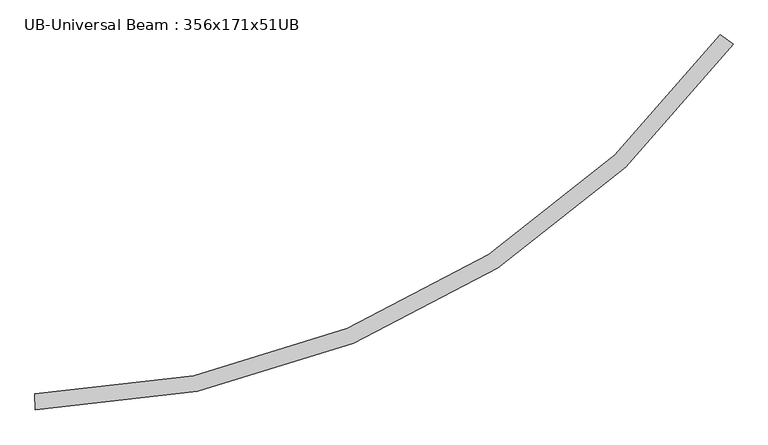
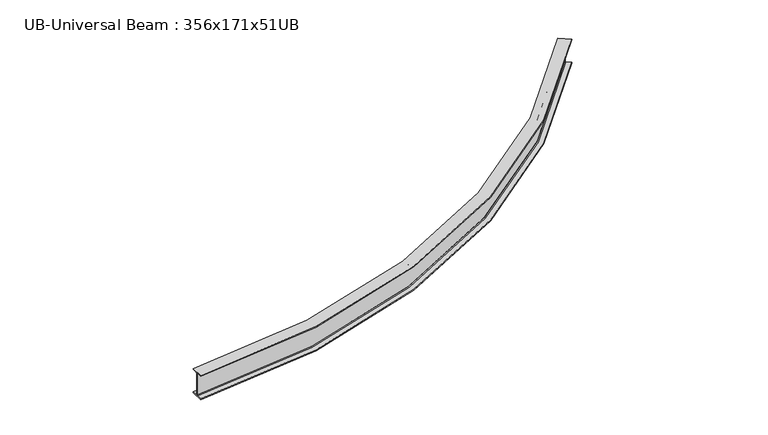
"""IFC4 building model written with IfcOpenShell, lengths in millimetres: beam geometry, UB-Universal Beam : 356x171x51UB."""

import ifcopenshell
import ifcopenshell.guid

model = None  # the IFC model being written
_history = None  # IfcOwnerHistory: only IFC2X3 demands one
_inside = {}  # id of a spatial element -> (the spatial element, [elements in it])
_under = {}  # id of a project, library or spatial element -> (it, [spatial elements below it])
_declared = {}  # id of a project -> (the project, [libraries it declares])
_typed = {}  # id of a type object -> (the type object, [elements of that type])
_made_of = {}  # id of a material, layer set ... -> (it, [elements and type objects made of it])


def new_model(schema):
    """Start an empty IFC model of exactly this schema.

    Asked for "IFC4X3", IfcOpenShell would pick the latest addendum, in which some entities
    have other attributes; the version numbers below select the first issue.
    IFC2X3 requires an IfcOwnerHistory on every rooted entity: one is made here for all.
    """
    global model, _history
    if schema == "IFC4X3":
        model = ifcopenshell.file(schema_version=(4, 3, 0, 0))
    else:
        model = ifcopenshell.file(schema=schema)
    _inside.clear()
    _under.clear()
    _declared.clear()
    _typed.clear()
    _made_of.clear()
    _history = None
    if model.schema == "IFC2X3":
        org = make("IfcOrganization", Name="unknown")
        user = make(
            "IfcPersonAndOrganization",
            ThePerson=make("IfcPerson", FamilyName="unknown"),
            TheOrganization=org,
        )
        app = make(
            "IfcApplication",
            ApplicationDeveloper=org,
            Version="unknown",
            ApplicationFullName="unknown",
            ApplicationIdentifier="unknown",
        )
        _history = make(
            "IfcOwnerHistory",
            OwningUser=user,
            OwningApplication=app,
            ChangeAction="ADDED",
            CreationDate=0,
        )
    return model


def make(cls, **values):
    """One entity of the class cls with the attributes given. An attribute that is None is left unset."""
    return model.create_entity(
        cls, **{name: value for name, value in values.items() if value is not None}
    )


def rooted(cls, **values):
    """An entity with a GlobalId (a new one), such as an element, a storey or a relation."""
    return make(cls, GlobalId=ifcopenshell.guid.new(), OwnerHistory=_history, **values)


def si_unit(unit_type, name, prefix=None):
    """IfcSIUnit, for example si_unit("LENGTHUNIT", "METRE", prefix="MILLI")."""
    return make("IfcSIUnit", UnitType=unit_type, Prefix=prefix, Name=name)


def assignment(units):
    """IfcUnitAssignment: the units of a project."""
    return None if units is None else make("IfcUnitAssignment", Units=units)


def point(xyz):
    """IfcCartesianPoint."""
    return None if xyz is None else make("IfcCartesianPoint", Coordinates=xyz)


def direction(xyz):
    """IfcDirection."""
    return None if xyz is None else make("IfcDirection", DirectionRatios=xyz)


def frame(location, z_axis=None, x_axis=None):
    """IfcAxis2Placement3D, a coordinate frame: its origin and axes. An axis left out is left unset."""
    return make(
        "IfcAxis2Placement3D",
        Location=point(location),
        Axis=direction(z_axis),
        RefDirection=direction(x_axis),
    )


def origin():
    """The frame at (0, 0, 0) with its axes left unset."""
    return frame((0.0, 0.0, 0.0))


def place(relative_to, where):
    """IfcLocalPlacement: puts the frame where relative to a parent placement (None: the world)."""
    return make(
        "IfcLocalPlacement", PlacementRelTo=relative_to, RelativePlacement=where
    )


def context(
    kind, dimensions, precision=None, world=None, true_north=None, identifier=None
):
    """IfcGeometricRepresentationContext, for example the 3D "Model" context."""
    return make(
        "IfcGeometricRepresentationContext",
        ContextIdentifier=identifier,
        ContextType=kind,
        CoordinateSpaceDimension=dimensions,
        Precision=precision,
        WorldCoordinateSystem=world,
        TrueNorth=true_north,
    )


def project(units=None, contexts=None):
    """IfcProject with its units and contexts."""
    return rooted(
        "IfcProject",
        Name="project",
        RepresentationContexts=contexts,
        UnitsInContext=assignment(units),
    )


def spatial(cls, under=None, at=None, **own):
    """A site, building, storey or space (cls), placed at a placement, below another one or the project."""
    s = rooted(cls, ObjectPlacement=at, **own)
    if under is not None:
        _under.setdefault(under.id(), (under, []))[1].append(s)
    return s


def polyline(points):
    """IfcPolyline through the points."""
    return make("IfcPolyline", Points=[point(p) for p in points])


def circle_curve(where, radius):
    """IfcCircle in the frame where."""
    return make("IfcCircle", Position=where, Radius=radius)


def ellipse_curve(where, semi_axis1, semi_axis2):
    """IfcEllipse in the frame where."""
    return make(
        "IfcEllipse", Position=where, SemiAxis1=semi_axis1, SemiAxis2=semi_axis2
    )


def trimmed(basis, trim1, trim2, sense, master):
    """IfcTrimmedCurve: the piece of a basis curve between two trims."""
    return make(
        "IfcTrimmedCurve",
        BasisCurve=basis,
        Trim1=trim1,
        Trim2=trim2,
        SenseAgreement=sense,
        MasterRepresentation=master,
    )


def shape(context_of_items, identifier, shape_type, items):
    """IfcShapeRepresentation: the items that make up one representation, for example the "Body"."""
    return make(
        "IfcShapeRepresentation",
        ContextOfItems=context_of_items,
        RepresentationIdentifier=identifier,
        RepresentationType=shape_type,
        Items=items,
    )


def source(mapping_origin, context_of_items, identifier, shape_type, items):
    """IfcRepresentationMap: a shape defined once, which mapped items show again and again."""
    return make(
        "IfcRepresentationMap",
        MappingOrigin=mapping_origin,
        MappedRepresentation=shape(context_of_items, identifier, shape_type, items),
    )


def transform(
    local_origin,
    x_axis=None,
    y_axis=None,
    z_axis=None,
    scale=None,
    scale2=None,
    scale3=None,
    uniform=True,
):
    """IfcCartesianTransformationOperator3D, or its non-uniform kind. x_axis, y_axis, z_axis: its Axis1, 2, 3."""
    if uniform:
        return make(
            "IfcCartesianTransformationOperator3D",
            Axis1=direction(x_axis),
            Axis2=direction(y_axis),
            LocalOrigin=point(local_origin),
            Scale=scale,
            Axis3=direction(z_axis),
        )
    return make(
        "IfcCartesianTransformationOperator3DnonUniform",
        Axis1=direction(x_axis),
        Axis2=direction(y_axis),
        LocalOrigin=point(local_origin),
        Scale=scale,
        Axis3=direction(z_axis),
        Scale2=scale2,
        Scale3=scale3,
    )


def mapped(mapping_source, mapping_target):
    """IfcMappedItem: shows the shape of a source again, moved by a transform."""
    return make(
        "IfcMappedItem", MappingSource=mapping_source, MappingTarget=mapping_target
    )


def made_of(thing, what):
    """Note that an element or type object is made of a material, layer set ...; save() writes the relation."""
    if what is not None:
        _made_of.setdefault(what.id(), (what, []))[1].append(thing)
    return thing


def element(
    cls,
    number,
    at=None,
    inside=None,
    cuts=None,
    type_object=None,
    material=None,
    context=None,
    identifier="Body",
    shape_type=None,
    held_by="IfcProductDefinitionShape",
    body=None,
    shapes=None,
    **own,
):
    """One element of the class cls, such as IfcWall. Its Tag is "e" and its number.

    at: its placement. inside: the storey or other place that contains it. cuts: it is an
    opening in that element (IfcRelVoidsElement). A single representation is given by context,
    identifier, shape_type and body (its items); several are given by shapes. held_by: the class
    of the entity that holds the representations. save() writes the other relations.
    """
    e = rooted(cls, Tag="e%d" % number, ObjectPlacement=at, **own)
    if body is not None:
        shapes = [shape(context, identifier, shape_type, body)]
    if shapes is not None:
        e.Representation = make(held_by, Representations=shapes)
    if inside is not None:
        _inside.setdefault(inside.id(), (inside, []))[1].append(e)
    if cuts is not None:
        rooted(
            "IfcRelVoidsElement", RelatingBuildingElement=cuts, RelatedOpeningElement=e
        )
    if type_object is not None:
        _typed.setdefault(type_object.id(), (type_object, []))[1].append(e)
    return made_of(e, material)


def aggregate(whole, parts):
    """IfcRelAggregates: a whole, such as a stair, and the parts it consists of."""
    return rooted("IfcRelAggregates", RelatingObject=whole, RelatedObjects=parts)


def save(model, path):
    """Write the relations noted so far, then the file.

    IfcRelAggregates (storeys below a building ...), IfcRelContainedInSpatialStructure (elements
    in a storey), IfcRelDefinesByType, IfcRelAssociatesMaterial and IfcRelDeclares: one each for
    every whole, place, type object, material and project.
    """
    for whole, parts in _under.values():
        aggregate(whole, parts)
    for where, things in _inside.values():
        rooted(
            "IfcRelContainedInSpatialStructure",
            RelatedElements=things,
            RelatingStructure=where,
        )
    for kind, things in _typed.values():
        rooted("IfcRelDefinesByType", RelatedObjects=things, RelatingType=kind)
    for what, things in _made_of.values():
        rooted("IfcRelAssociatesMaterial", RelatedObjects=things, RelatingMaterial=what)
    for by, libraries in _declared.values():
        rooted("IfcRelDeclares", RelatingContext=by, RelatedDefinitions=libraries)
    model.write(path)


def plane_surface(at):
    """IfcPlane: the flat surface through the origin of the frame at, square to its z axis."""
    return make("IfcPlane", Position=at)


def cylinder_surface(at, radius):
    """IfcCylindricalSurface: all points at the distance radius from the z axis of the frame at."""
    return make("IfcCylindricalSurface", Position=at, Radius=radius)


def revolved_surface(curve, axis_point, axis_direction):
    """IfcSurfaceOfRevolution: the curve turned about the line through axis_point along axis_direction."""
    return make(
        "IfcSurfaceOfRevolution",
        SweptCurve=make("IfcArbitraryOpenProfileDef", ProfileType="CURVE", Curve=curve),
        AxisPosition=make("IfcAxis1Placement", Location=point(axis_point), Axis=direction(axis_direction)),
    )


def advanced_brep(points, edges, surfaces, faces):
    """IfcAdvancedBrep: a solid bounded by faces that lie on surfaces and meet in shared edges.

    An edge is (start, end): straight between two places in points (the first is 0);
    or (start, end, curve); or (start, end, curve, False) where it runs against its curve.
    A face is (place in surfaces, loops), or (place, loops, False) where it looks against
    its surface's normal. A loop lists edges by number (the first is 1), with a minus sign
    where the edge is run from its end to its start. The first loop is the outer one.
    """
    corners = [point(p) for p in points]
    vertices = [make("IfcVertexPoint", VertexGeometry=c) for c in corners]
    made = []
    for start, end, *more in edges:
        made.append(
            make(
                "IfcEdgeCurve",
                EdgeStart=vertices[start],
                EdgeEnd=vertices[end],
                EdgeGeometry=more[0] if more else make("IfcPolyline", Points=[corners[start], corners[end]]),
                SameSense=more[1] if len(more) > 1 else True,
            )
        )
    hull = []
    for where, loops, *sense in faces:
        bounds = []
        for j, loop in enumerate(loops):
            ring = [make("IfcOrientedEdge", EdgeElement=made[abs(k) - 1], Orientation=k > 0) for k in loop]
            bounds.append(
                make(
                    "IfcFaceOuterBound" if j == 0 else "IfcFaceBound",
                    Bound=make("IfcEdgeLoop", EdgeList=ring),
                    Orientation=True,
                )
            )
        hull.append(make("IfcAdvancedFace", Bounds=bounds, FaceSurface=surfaces[where], SameSense=sense[0] if sense else True))
    return make("IfcAdvancedBrep", Outer=make("IfcClosedShell", CfsFaces=hull))


def ub_universal_beam_356x171x51ub_354eb76b(model_context):
    return source(origin(), model_context, "Body", "AdvancedBrep", [
        advanced_brep(
        [(7504.5115228, 3916.7093108, -166.0), (7562.703812, 3874.5657469, -166.0), (7570.9649303, 3868.5829445, -155.8), (7570.9649303, 3868.5829445, 155.8), (7562.703812, 3874.5657469, 166.0), (7504.5115228, 3916.7093108, 166.0), (7504.5115228, 3916.7093108, 177.5), (7643.4116981, 3816.1161137, 177.5), (7643.4116981, 3816.1161137, 166.0), (7585.2194089, 3858.2596776, 166.0), (7576.9582906, 3864.24248, 155.8), (7576.9582906, 3864.24248, -155.8), (7585.2194089, 3858.2596776, -166.0), (7643.4116981, 3816.1161137, -166.0), (7643.4116981, 3816.1161137, -177.5), (7504.5115228, 3916.7093108, -177.5), (205.2048566, 88.022557, -166.0), (205.2048566, 88.022557, -177.5), (209.0029707, -83.4353805, -177.5), (209.0029707, -83.4353805, -166.0), (207.4117491, -11.6030026, -166.0), (207.1858555, -1.4055043, -155.8), (207.1858555, -1.4055043, 155.8), (207.4117491, -11.6030026, 166.0), (209.0029707, -83.4353805, 166.0), (209.0029707, -83.4353805, 177.5), (205.2048566, 88.022557, 177.5), (205.2048566, 88.022557, 166.0), (206.7960782, 16.1901791, 166.0), (207.0219718, 5.9926807, 155.8), (207.0219718, 5.9926807, -155.8), (206.7960782, 16.1901791, -166.0)],
        [
            (0, 1),
            (1, 2, circle_curve(frame((7562.703812, 3874.5657469, -155.8), z_axis=(-0.5865492537239692, -0.809913558940616, 0.0), x_axis=(0.809913558940616, -0.5865492537239692, 0.0)), 10.2)),
            (2, 3),
            (3, 4, circle_curve(frame((7562.703812, 3874.5657469, 155.8), z_axis=(-0.5865492537239692, -0.809913558940616, 0.0), x_axis=(0.809913558940616, -0.5865492537239692, 0.0)), 10.2)),
            (4, 5),
            (5, 6),
            (6, 7),
            (7, 8),
            (8, 9),
            (9, 10, circle_curve(frame((7585.2194089, 3858.2596776, 155.8), z_axis=(-0.5865492537239692, -0.809913558940616, 0.0), x_axis=(0.809913558940616, -0.5865492537239692, 0.0)), 10.2)),
            (10, 11),
            (11, 12, circle_curve(frame((7585.2194089, 3858.2596776, -155.8), z_axis=(-0.5865492537239692, -0.809913558940616, 0.0), x_axis=(0.809913558940616, -0.5865492537239692, 0.0)), 10.2)),
            (12, 13),
            (13, 14),
            (14, 15),
            (15, 0),
            (16, 17),
            (17, 18),
            (18, 19),
            (19, 20),
            (20, 21, circle_curve(frame((207.4117491, -11.6030026, -155.8), z_axis=(0.9997547375752434, 0.022146437543236808, 0.0), x_axis=(0.022146437543236808, -0.9997547375752434, 0.0)), 10.2)),
            (21, 22),
            (22, 23, circle_curve(frame((207.4117491, -11.6030026, 155.8), z_axis=(0.9997547375752434, 0.022146437543236808, 0.0), x_axis=(0.022146437543236808, -0.9997547375752434, 0.0)), 10.2)),
            (23, 24),
            (24, 25),
            (25, 26),
            (26, 27),
            (27, 28),
            (28, 29, circle_curve(frame((206.7960782, 16.1901791, 155.8), z_axis=(0.9997547375752434, 0.022146437543236697, 0.0), x_axis=(0.022146437543236697, -0.9997547375752434, 0.0)), 10.2)),
            (29, 30),
            (30, 31, circle_curve(frame((206.7960782, 16.1901791, -155.8), z_axis=(0.9997547375752434, 0.022146437543236697, 0.0), x_axis=(0.022146437543236697, -0.9997547375752434, 0.0)), 10.2)),
            (31, 16),
            (0, 16, circle_curve(frame((0.0, 9351.5678641, -166.0), z_axis=(0.0, 0.0, -1.0), x_axis=(-0.5722621861652836, -0.8200707227339178, 0.0)), 9265.8178641)),
            (31, 1, circle_curve(frame((0.0, 9351.5678641, -166.0), z_axis=(0.0, 0.0, 1.0), x_axis=(-0.5722621861652836, -0.8200707227339178, 0.0)), 9337.6678641)),
            (30, 2, circle_curve(frame((0.0, 9351.5678641, -155.8), z_axis=(0.0, 0.0, 1.0), x_axis=(-0.5722621861652836, -0.8200707227339178, 0.0)), 9347.8678641)),
            (29, 3, circle_curve(frame((0.0, 9351.5678641, 155.8), z_axis=(0.0, 0.0, 1.0), x_axis=(-0.5722621861652836, -0.8200707227339178, 0.0)), 9347.8678641)),
            (28, 4, circle_curve(frame((0.0, 9351.5678641, 166.0), z_axis=(0.0, 0.0, 1.0), x_axis=(-0.5722621861652836, -0.8200707227339178, 0.0)), 9337.6678641)),
            (27, 5, circle_curve(frame((0.0, 9351.5678641, 166.0), z_axis=(0.0, 0.0, 1.0), x_axis=(-0.5722621861652836, -0.8200707227339178, 0.0)), 9265.8178641)),
            (26, 6, circle_curve(frame((0.0, 9351.5678641, 177.5), z_axis=(0.0, 0.0, 1.0), x_axis=(-0.5722621861652836, -0.8200707227339178, 0.0)), 9265.8178641)),
            (25, 7, circle_curve(frame((0.0, 9351.5678641, 177.5), z_axis=(0.0, 0.0, 1.0), x_axis=(-0.5722621861652836, -0.8200707227339178, 0.0)), 9437.3178641)),
            (24, 8, circle_curve(frame((0.0, 9351.5678641, 166.0), z_axis=(0.0, 0.0, 1.0), x_axis=(-0.5722621861652836, -0.8200707227339178, 0.0)), 9437.3178641)),
            (23, 9, circle_curve(frame((0.0, 9351.5678641, 166.0), z_axis=(0.0, 0.0, 1.0), x_axis=(-0.5722621861652836, -0.8200707227339178, 0.0)), 9365.4678641)),
            (22, 10, circle_curve(frame((0.0, 9351.5678641, 155.8), z_axis=(0.0, 0.0, 1.0), x_axis=(-0.5722621861652836, -0.8200707227339178, 0.0)), 9355.2678641)),
            (21, 11, circle_curve(frame((0.0, 9351.5678641, -155.8), z_axis=(0.0, 0.0, 1.0), x_axis=(-0.5722621861652836, -0.8200707227339178, 0.0)), 9355.2678641)),
            (20, 12, circle_curve(frame((0.0, 9351.5678641, -166.0), z_axis=(0.0, 0.0, 1.0), x_axis=(-0.5722621861652836, -0.8200707227339178, 0.0)), 9365.4678641)),
            (19, 13, circle_curve(frame((0.0, 9351.5678641, -166.0), z_axis=(0.0, 0.0, 1.0), x_axis=(-0.5722621861652836, -0.8200707227339178, 0.0)), 9437.3178641)),
            (18, 14, circle_curve(frame((0.0, 9351.5678641, -177.5), z_axis=(0.0, 0.0, 1.0), x_axis=(-0.5722621861652836, -0.8200707227339178, 0.0)), 9437.3178641)),
            (17, 15, circle_curve(frame((0.0, 9351.5678641, -177.5), z_axis=(0.0, 0.0, 1.0), x_axis=(-0.5722621861652836, -0.8200707227339178, 0.0)), 9265.8178641)),
        ],
        [
            plane_surface(frame((7573.9616105, 3866.4127122, 0.0), z_axis=(0.586549253723964, 0.8099135589406199, 0.0), x_axis=(0.0, 0.0, 1.0))),
            plane_surface(frame((207.1039136, 2.2935882, 0.0), z_axis=(-0.9997547375752431, -0.022146437543243136, 0.0), x_axis=(0.0, 0.0, 1.0))),
            plane_surface(frame((0.0, 9351.5678641, -166.0), z_axis=(0.0, 0.0, 1.0), x_axis=(-0.5722621861652836, -0.8200707227339178, 0.0))),
            revolved_surface(trimmed(ellipse_curve(frame((-5343.5942256, 1694.0198301, -155.8), z_axis=(0.8200707227339141, -0.5722621861652888, 0.0), x_axis=(-0.5722621861652888, -0.8200707227339141, 0.0)), 10.2, 10.2), [point((-5349.4312999, 1685.6551088, -155.8))], [point((-5343.5942256, 1694.0198301, -166.0))], True, "CARTESIAN"), (0.0, 9351.5678641, 0.0), (0.0, 0.0, 1.0)),
            revolved_surface(polyline([(-5349.431299894066, 1685.6551087663474, 155.8), (-5349.431299894066, 1685.6551087663474, -155.8)]), (0.0, 9351.5678641, 0.0), (0.0, 0.0, 1.0)),
            revolved_surface(trimmed(ellipse_curve(frame((-5343.5942256, 1694.0198301, 155.8), z_axis=(0.8200707227339141, -0.5722621861652888, 0.0), x_axis=(-0.5722621861652888, -0.8200707227339141, 0.0)), 10.2, 10.2), [point((-5343.5942256, 1694.0198301, 166.0))], [point((-5349.4312999, 1685.6551088, 155.8))], True, "CARTESIAN"), (0.0, 9351.5678641, 0.0), (0.0, 0.0, 1.0)),
            plane_surface(frame((0.0, 9351.5678641, 166.0), z_axis=(0.0, 0.0, -1.0), x_axis=(-0.5722621861652836, -0.8200707227339178, 0.0))),
            revolved_surface(polyline([(-5302.477187519204, 1752.941911566666, 177.5), (-5302.477187519204, 1752.941911566666, 166.0)]), (0.0, 9351.5678641, 0.0), (0.0, 0.0, 1.0)),
            plane_surface(frame((0.0, 9351.5678641, 177.5), z_axis=(0.0, 0.0, 1.0), x_axis=(-0.5722621861652836, -0.8200707227339178, 0.0))),
            cylinder_surface(frame((0.0, 9351.5678641, 0.0), z_axis=(0.0, 0.0, 1.0), x_axis=(-0.5722621861652836, -0.8200707227339178, 0.0)), 9437.3178641),
            revolved_surface(trimmed(ellipse_curve(frame((-5359.5031143, 1671.221864, 155.8), z_axis=(0.8200707227339141, -0.5722621861652888, 0.0), x_axis=(-0.5722621861652888, -0.8200707227339141, 0.0)), 10.2, 10.2), [point((-5353.66604, 1679.5865854, 155.8))], [point((-5359.5031143, 1671.221864, 166.0))], True, "CARTESIAN"), (0.0, 9351.5678641, 0.0), (0.0, 0.0, 1.0)),
            cylinder_surface(frame((0.0, 9351.5678641, 0.0), z_axis=(0.0, 0.0, 1.0), x_axis=(-0.5722621861652836, -0.8200707227339178, 0.0)), 9355.2678641),
            revolved_surface(trimmed(ellipse_curve(frame((-5359.5031143, 1671.221864, -155.8), z_axis=(0.8200707227339141, -0.5722621861652888, 0.0), x_axis=(-0.5722621861652888, -0.8200707227339141, 0.0)), 10.2, 10.2), [point((-5359.5031143, 1671.221864, -166.0))], [point((-5353.66604, 1679.5865854, -155.8))], True, "CARTESIAN"), (0.0, 9351.5678641, 0.0), (0.0, 0.0, 1.0)),
            plane_surface(frame((0.0, 9351.5678641, -177.5), z_axis=(0.0, 0.0, -1.0), x_axis=(-0.5722621861652836, -0.8200707227339178, 0.0))),
            revolved_surface(polyline([(-5302.477187519204, 1752.941911566666, -166.0), (-5302.477187519204, 1752.941911566666, -177.5)]), (0.0, 9351.5678641, 0.0), (0.0, 0.0, 1.0)),
        ],
        [
            (0, [[1, 2, 3, 4, 5, 6, 7, 8, 9, 10, 11, 12, 13, 14, 15, 16]]),
            (1, [[17, 18, 19, 20, 21, 22, 23, 24, 25, 26, 27, 28, 29, 30, 31, 32]]),
            (2, [[-1, 33, -32, 34]]),
            (3, [[-2, -34, -31, 35]]),
            (4, [[-3, -35, -30, 36]]),
            (5, [[-4, -36, -29, 37]]),
            (6, [[-5, -37, -28, 38]]),
            (7, [[-6, -38, -27, 39]]),
            (8, [[-7, -39, -26, 40]]),
            (9, [[-8, -40, -25, 41]]),
            (6, [[-9, -41, -24, 42]]),
            (10, [[-10, -42, -23, 43]]),
            (11, [[-11, -43, -22, 44]]),
            (12, [[-12, -44, -21, 45]]),
            (2, [[-13, -45, -20, 46]]),
            (9, [[-14, -46, -19, 47]]),
            (13, [[-15, -47, -18, 48]]),
            (14, [[-16, -48, -17, -33]]),
        ],
    ),
    ])


if __name__ == "__main__":
    model = new_model("IFC4")
    model_context = context("Model", 3, world=origin())
    ifc_project = project(units=[si_unit("LENGTHUNIT", "METRE", prefix="MILLI")], contexts=[model_context])
    site = spatial("IfcSite", under=ifc_project)
    building = spatial("IfcBuilding", under=site)
    placement = place(None, origin())
    ub_universal_beam_356x171x51ub_shape = ub_universal_beam_356x171x51ub_354eb76b(model_context)
    element("IfcBeam", 1, ObjectType="UB-Universal Beam : 356x171x51UB", at=placement, inside=building, context=model_context, shape_type="MappedRepresentation", body=[
        mapped(ub_universal_beam_356x171x51ub_shape, transform((0.0, 0.0, 0.0), x_axis=(1.0, 0.0, 0.0), y_axis=(0.0, 1.0, 0.0), z_axis=(0.0, 0.0, 1.0))),
    ])
    save(model, "model.ifc")
